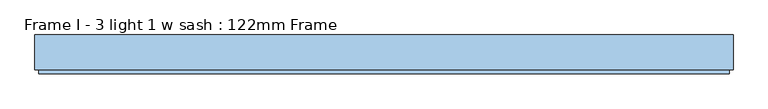
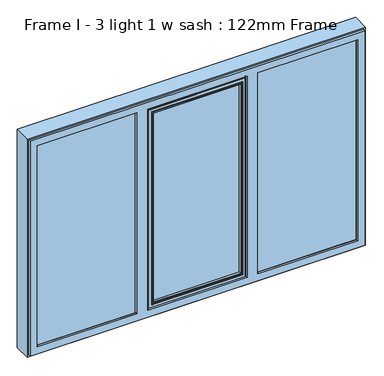
"""IFC4 building model written with IfcOpenShell, lengths in millimetres: window geometry, Frame I - 3 light 1 w sash : 122mm Frame."""

from ifc_helpers import new_model, si_unit, frame, origin, place, context, project, spatial, polyline, circle_curve, ellipse_curve, outline, extrude, source, transform, mapped, element, save
from ifc_brep_helpers import plane_surface, cylinder_surface, revolved_surface, advanced_brep


def frame_i_3_light_1_w_sash_122mm_frame_1649a123(model_context):
    return source(origin(), model_context, "Body", "SolidModel", [
        extrude(outline(polyline([(-292.5333333, -141.0), (-292.5333333, -93.0), (292.5333333, -93.0), (292.5333333, -141.0), (-292.5333333, -141.0)])), frame((0.0, 0.0, 890.0), z_axis=(0.0, 0.0, 1.0), x_axis=(1.0, 0.0, 0.0)), (0.0, 0.0, 1.0), 1319.6),
        advanced_brep(
        [(314.93318, -153.0, 2232.3998467), (314.93318, -153.0, 867.6001533), (314.93318, -148.4070391, 867.6001533), (314.93318, -148.4070391, 2232.3998467), (320.2072722, -139.5531262, 862.3260611), (320.2072722, -139.5531262, 2237.6739389), (-314.93318, -153.0, 867.6001533), (-314.93318, -148.4070391, 867.6001533), (-314.93318, -153.0, 2232.3998467), (295.4964409, -153.0, 2212.9631076), (295.4964409, -153.0, 887.0368924), (-295.4964409, -153.0, 887.0368924), (-295.4964409, -153.0, 2212.9631076), (322.0467289, -139.5531262, 860.4866045), (322.0467289, -139.5531262, 2239.5133955), (-322.0467289, -139.5531262, 2239.5133955), (-322.0467289, -139.5531262, 860.4866045), (-320.2072722, -139.5531262, 862.3260611), (-320.2072722, -139.5531262, 2237.6739389), (322.0467289, -121.0, 860.4866045), (322.0467289, -121.0, 2239.5133955), (332.0467289, -121.0, 850.4866045), (332.0467289, -121.0, 2249.5133955), (-332.0467289, -121.0, 2249.5133955), (-332.0467289, -121.0, 850.4866045), (-322.0467289, -121.0, 860.4866045), (-322.0467289, -121.0, 2239.5133955), (332.0467289, -88.5, 850.4866045), (332.0467289, -88.5, 2249.5133955), (342.8310333, -88.5, 839.7023), (342.8310333, -88.5, 2260.2977), (-342.8310333, -88.5, 2260.2977), (-342.8310333, -88.5, 839.7023), (-332.0467289, -88.5, 850.4866045), (-332.0467289, -88.5, 2249.5133955), (342.8310333, -83.5, 839.7023), (342.8310333, -83.5, 2260.2977), (-342.8310333, -83.5, 839.7023), (-342.8310333, -83.5, 2260.2977), (336.0333333, -83.5, 846.5), (336.0333333, -83.5, 2253.5), (-336.0333333, -83.5, 2253.5), (-336.0333333, -83.5, 846.5), (336.0333333, -78.0, 846.5), (336.0333333, -78.0, 2253.5), (-336.0333333, -78.0, 846.5), (-336.0333333, -78.0, 2253.5), (280.8491149, -78.0, 901.6842184), (280.8491149, -78.0, 2198.3157816), (-280.8491149, -78.0, 2198.3157816), (-280.8491149, -78.0, 901.6842184), (278.53364, -88.8934531, 903.9996933), (278.53364, -88.8934531, 2196.0003067), (278.53364, -93.0, 903.9996933), (278.53364, -93.0, 2196.0003067), (-278.53364, -88.8934531, 903.9996933), (292.5333333, -93.0, 890.0), (292.5333333, -93.0, 2210.0), (-292.5333333, -93.0, 2210.0), (-292.5333333, -93.0, 890.0), (-278.53364, -93.0, 903.9996933), (-278.53364, -93.0, 2196.0003067), (292.5333333, -141.0, 890.0), (292.5333333, -141.0, 2210.0), (-292.5333333, -141.0, 890.0), (-292.5333333, -141.0, 2210.0), (278.1211819, -141.0, 904.4121514), (278.1211819, -141.0, 2195.5878486), (-278.1211819, -141.0, 2195.5878486), (-278.1211819, -141.0, 904.4121514), (281.7899501, -153.0, 900.7433832), (281.7899501, -153.0, 2199.2566168), (288.5682377, -153.0, 893.9650956), (288.5682377, -153.0, 2206.0349044), (-288.5682377, -153.0, 2206.0349044), (-288.5682377, -153.0, 893.9650956), (-281.7899501, -153.0, 900.7433832), (-281.7899501, -153.0, 2199.2566168), (289.8672758, -152.25, 892.6660575), (289.8672758, -152.25, 2207.3339425), (294.1974028, -152.25, 888.3359305), (294.1974028, -152.25, 2211.6640695), (-289.8672758, -152.25, 892.6660575), (-294.1974028, -152.25, 888.3359305), (-314.93318, -148.4070391, 2232.3998467), (-278.53364, -88.8934531, 2196.0003067), (-289.8672758, -152.25, 2207.3339425), (-294.1974028, -152.25, 2211.6640695)],
        [
            (0, 1),
            (1, 2),
            (2, 3),
            (3, 0),
            (2, 4),
            (4, 5),
            (5, 3),
            (1, 6),
            (6, 7),
            (7, 2),
            (0, 8),
            (8, 6),
            (9, 10),
            (10, 11),
            (11, 12),
            (12, 9),
            (13, 14),
            (14, 15),
            (15, 16),
            (16, 13),
            (4, 17),
            (17, 18),
            (18, 5),
            (7, 17),
            (13, 19),
            (19, 20),
            (20, 14),
            (21, 22),
            (22, 23),
            (23, 24),
            (24, 21),
            (19, 25),
            (25, 26),
            (26, 20),
            (16, 25),
            (21, 27),
            (27, 28),
            (28, 22),
            (29, 30),
            (30, 31),
            (31, 32),
            (32, 29),
            (27, 33),
            (33, 34),
            (34, 28),
            (24, 33),
            (29, 35),
            (35, 36),
            (36, 30),
            (35, 37),
            (37, 38),
            (38, 36),
            (39, 40),
            (40, 41),
            (41, 42),
            (42, 39),
            (32, 37),
            (39, 43),
            (43, 44),
            (44, 40),
            (43, 45),
            (45, 46),
            (46, 44),
            (47, 48),
            (48, 49),
            (49, 50),
            (50, 47),
            (42, 45),
            (47, 51),
            (51, 52),
            (52, 48),
            (51, 53),
            (53, 54),
            (54, 52),
            (50, 55),
            (55, 51),
            (56, 57),
            (57, 58),
            (58, 59),
            (59, 56),
            (53, 60),
            (60, 61),
            (61, 54),
            (55, 60),
            (56, 62),
            (62, 63),
            (63, 57),
            (62, 64),
            (64, 65),
            (65, 63),
            (66, 67),
            (67, 68),
            (68, 69),
            (69, 66),
            (59, 64),
            (66, 70),
            (70, 71),
            (71, 67),
            (72, 73),
            (73, 74),
            (74, 75),
            (75, 72),
            (70, 76),
            (76, 77),
            (77, 71),
            (69, 76),
            (72, 78, ellipse_curve(frame((288.5682377, -151.5, 893.9650956), z_axis=(0.7071067811865475, 0.0, 0.7071067811865475), x_axis=(-0.7071067811865474, 0.0, 0.7071067811865476)), 2.1213203, 1.5)),
            (78, 79),
            (79, 73, ellipse_curve(frame((288.5682377, -151.5, 2206.0349044), z_axis=(0.7071067811865475, 0.0, -0.7071067811865475), x_axis=(0.7071067811865474, 0.0, 0.7071067811865476)), 2.1213203, 1.5)),
            (78, 80, ellipse_curve(frame((292.0323393, -153.5, 890.500994), z_axis=(-0.7071067811865475, 0.0, -0.7071067811865475), x_axis=(0.7071067811865474, 0.0, -0.7071067811865476)), 3.5355339, 2.5)),
            (80, 81),
            (81, 79, ellipse_curve(frame((292.0323393, -153.5, 2209.499006), z_axis=(-0.7071067811865475, 0.0, 0.7071067811865475), x_axis=(-0.7071067811865474, 0.0, -0.7071067811865476)), 3.5355339, 2.5)),
            (75, 82, ellipse_curve(frame((-288.5682377, -151.5, 893.9650956), z_axis=(0.7071067811865475, 0.0, -0.7071067811865475), x_axis=(0.7071067811865476, 0.0, 0.7071067811865474)), 2.1213203, 1.5)),
            (82, 78),
            (80, 10, ellipse_curve(frame((295.4964409, -151.5, 887.0368924), z_axis=(0.7071067811865475, 0.0, 0.7071067811865475), x_axis=(-0.7071067811865474, 0.0, 0.7071067811865476)), 2.1213203, 1.5)),
            (9, 81, ellipse_curve(frame((295.4964409, -151.5, 2212.9631076), z_axis=(0.7071067811865475, 0.0, -0.7071067811865475), x_axis=(0.7071067811865474, 0.0, 0.7071067811865476)), 2.1213203, 1.5)),
            (82, 83, ellipse_curve(frame((-292.0323393, -153.5, 890.500994), z_axis=(-0.7071067811865475, 0.0, 0.7071067811865475), x_axis=(-0.7071067811865476, 0.0, -0.7071067811865474)), 3.5355339, 2.5)),
            (83, 80),
            (83, 11, ellipse_curve(frame((-295.4964409, -151.5, 887.0368924), z_axis=(0.7071067811865475, 0.0, -0.7071067811865475), x_axis=(0.7071067811865476, 0.0, 0.7071067811865474)), 2.1213203, 1.5)),
            (8, 84),
            (84, 7),
            (84, 18),
            (15, 26),
            (23, 34),
            (31, 38),
            (41, 46),
            (49, 85),
            (85, 55),
            (85, 61),
            (58, 65),
            (68, 77),
            (74, 86, ellipse_curve(frame((-288.5682377, -151.5, 2206.0349044), z_axis=(-0.7071067811865475, 0.0, -0.7071067811865475), x_axis=(0.7071067811865474, 0.0, -0.7071067811865476)), 2.1213203, 1.5)),
            (86, 82),
            (86, 87, ellipse_curve(frame((-292.0323393, -153.5, 2209.499006), z_axis=(0.7071067811865475, 0.0, 0.7071067811865475), x_axis=(-0.7071067811865474, 0.0, 0.7071067811865476)), 3.5355339, 2.5)),
            (87, 83),
            (87, 12, ellipse_curve(frame((-295.4964409, -151.5, 2212.9631076), z_axis=(-0.7071067811865475, 0.0, -0.7071067811865475), x_axis=(0.7071067811865474, 0.0, -0.7071067811865476)), 2.1213203, 1.5)),
            (3, 84),
            (52, 85),
            (79, 86),
            (81, 87),
        ],
        [
            plane_surface(frame((314.93318, -148.4070391, 2232.3998467), z_axis=(1.0, 0.0, 0.0), x_axis=(0.0, 0.0, -1.0))),
            plane_surface(frame((320.2072722, -139.5531262, 2237.6739389), z_axis=(0.8591262587254928, -0.5117636872310675, 0.0), x_axis=(0.0, 0.0, -1.0))),
            plane_surface(frame((314.93318, -148.4070391, 867.6001533), z_axis=(0.0, 0.0, -1.0), x_axis=(-1.0, 0.0, 0.0))),
            plane_surface(frame((-314.93318, -153.0, 2232.3998467), z_axis=(0.0, -1.0, 0.0), x_axis=(1.0, 0.0, 0.0))),
            plane_surface(frame((-322.0467289, -139.5531262, 2239.5133955), z_axis=(0.0, -1.0, 0.0), x_axis=(1.0, 0.0, 0.0))),
            plane_surface(frame((320.2072722, -139.5531262, 862.3260611), z_axis=(0.0, -0.5117636872310675, -0.8591262587254928), x_axis=(-1.0, 0.0, 0.0))),
            plane_surface(frame((322.0467289, -121.0, 2239.5133955), z_axis=(1.0, 0.0, 0.0), x_axis=(0.0, 0.0, -1.0))),
            plane_surface(frame((-332.0467289, -121.0, 2249.5133955), z_axis=(0.0, -1.0, 0.0), x_axis=(1.0, 0.0, 0.0))),
            plane_surface(frame((322.0467289, -121.0, 860.4866045), z_axis=(0.0, 0.0, -1.0), x_axis=(-1.0, 0.0, 0.0))),
            plane_surface(frame((332.0467289, -88.5, 2249.5133955), z_axis=(1.0, 0.0, 0.0), x_axis=(0.0, 0.0, -1.0))),
            plane_surface(frame((-342.8310333, -88.5, 2260.2977), z_axis=(0.0, -1.0, 0.0), x_axis=(1.0, 0.0, 0.0))),
            plane_surface(frame((332.0467289, -88.5, 850.4866045), z_axis=(0.0, 0.0, -1.0), x_axis=(-1.0, 0.0, 0.0))),
            plane_surface(frame((342.8310333, -83.5, 2260.2977), z_axis=(1.0, 0.0, 0.0), x_axis=(0.0, 0.0, -1.0))),
            plane_surface(frame((-336.0333333, -83.5, 2253.5), z_axis=(0.0, 1.0, 0.0), x_axis=(1.0, 0.0, 0.0))),
            plane_surface(frame((342.8310333, -83.5, 839.7023), z_axis=(0.0, 0.0, -1.0), x_axis=(-1.0, 0.0, 0.0))),
            plane_surface(frame((336.0333333, -78.0, 2253.5), z_axis=(1.0, 0.0, 0.0), x_axis=(0.0, 0.0, -1.0))),
            plane_surface(frame((-280.8491149, -78.0, 2198.3157816), z_axis=(0.0, 1.0, 0.0), x_axis=(1.0, 0.0, 0.0))),
            plane_surface(frame((336.0333333, -78.0, 846.5), z_axis=(0.0, 0.0, -1.0), x_axis=(-1.0, 0.0, 0.0))),
            plane_surface(frame((278.53364, -88.8934531, 2196.0003067), z_axis=(-0.9781476007338059, 0.20791169081775832, 0.0), x_axis=(0.0, 0.0, -1.0))),
            plane_surface(frame((278.53364, -93.0, 2196.0003067), z_axis=(-1.0, 0.0, 0.0), x_axis=(0.0, 0.0, -1.0))),
            plane_surface(frame((278.53364, -88.8934531, 903.9996933), z_axis=(0.0, 0.20791169081775832, 0.9781476007338059), x_axis=(-1.0, 0.0, 0.0))),
            plane_surface(frame((-292.5333333, -93.0, 2210.0), z_axis=(0.0, -1.0, 0.0), x_axis=(1.0, 0.0, 0.0))),
            plane_surface(frame((278.53364, -93.0, 903.9996933), z_axis=(0.0, 0.0, 1.0), x_axis=(-1.0, 0.0, 0.0))),
            plane_surface(frame((292.5333333, -141.0, 2210.0), z_axis=(-1.0, 0.0, 0.0), x_axis=(0.0, 0.0, -1.0))),
            plane_surface(frame((-278.1211819, -141.0, 2195.5878486), z_axis=(0.0, 1.0, 0.0), x_axis=(1.0, 0.0, 0.0))),
            plane_surface(frame((292.5333333, -141.0, 890.0), z_axis=(0.0, 0.0, 1.0), x_axis=(-1.0, 0.0, 0.0))),
            plane_surface(frame((281.7899501, -153.0, 2199.2566168), z_axis=(-0.9563047559629767, -0.29237170472292917, 0.0), x_axis=(0.0, 0.0, -1.0))),
            plane_surface(frame((-288.5682377, -153.0, 2206.0349044), z_axis=(0.0, -1.0, 0.0), x_axis=(1.0, 0.0, 0.0))),
            plane_surface(frame((281.7899501, -153.0, 900.7433832), z_axis=(0.0, -0.29237170472292917, 0.9563047559629767), x_axis=(-1.0, 0.0, 0.0))),
            cylinder_surface(frame((288.5682377, -151.5, 2237.6), z_axis=(0.0, 0.0, 1.0), x_axis=(0.0, -1.0, 0.0)), 1.5),
            revolved_surface(polyline([(292.0323393, -156.0, 888.000994004195), (292.0323393, -156.0, 2211.999005995805)]), (292.0323393, -153.5, 2237.6), (0.0, 0.0, -1.0)),
            cylinder_surface(frame((320.1333333, -151.5, 893.9650956), z_axis=(1.0, 0.0, 0.0), x_axis=(0.0, -1.0, 0.0)), 1.5),
            cylinder_surface(frame((295.4964409, -151.5, 2237.6), z_axis=(0.0, 0.0, 1.0), x_axis=(0.0, -1.0, 0.0)), 1.5),
            revolved_surface(polyline([(-294.53233929580495, -156.0, 890.500994), (294.5323392958049, -156.0, 890.500994)]), (320.1333333, -153.5, 890.500994), (-1.0, 0.0, 0.0)),
            cylinder_surface(frame((320.1333333, -151.5, 887.0368924), z_axis=(1.0, 0.0, 0.0), x_axis=(0.0, -1.0, 0.0)), 1.5),
            plane_surface(frame((-314.93318, -148.4070391, 867.6001533), z_axis=(-1.0, 0.0, 0.0), x_axis=(0.0, 0.0, 1.0))),
            plane_surface(frame((-320.2072722, -139.5531262, 862.3260611), z_axis=(-0.8591262587254928, -0.5117636872310675, 0.0), x_axis=(0.0, 0.0, 1.0))),
            plane_surface(frame((-322.0467289, -121.0, 860.4866045), z_axis=(-1.0, 0.0, 0.0), x_axis=(0.0, 0.0, 1.0))),
            plane_surface(frame((-332.0467289, -88.5, 850.4866045), z_axis=(-1.0, 0.0, 0.0), x_axis=(0.0, 0.0, 1.0))),
            plane_surface(frame((-342.8310333, -83.5, 839.7023), z_axis=(-1.0, 0.0, 0.0), x_axis=(0.0, 0.0, 1.0))),
            plane_surface(frame((-336.0333333, -78.0, 846.5), z_axis=(-1.0, 0.0, 0.0), x_axis=(0.0, 0.0, 1.0))),
            plane_surface(frame((-278.53364, -88.8934531, 903.9996933), z_axis=(0.9781476007338059, 0.20791169081775832, 0.0), x_axis=(0.0, 0.0, 1.0))),
            plane_surface(frame((-278.53364, -93.0, 903.9996933), z_axis=(1.0, 0.0, 0.0), x_axis=(0.0, 0.0, 1.0))),
            plane_surface(frame((-292.5333333, -141.0, 890.0), z_axis=(1.0, 0.0, 0.0), x_axis=(0.0, 0.0, 1.0))),
            plane_surface(frame((-281.7899501, -153.0, 900.7433832), z_axis=(0.9563047559629767, -0.29237170472292917, 0.0), x_axis=(0.0, 0.0, 1.0))),
            cylinder_surface(frame((-288.5682377, -151.5, 862.4), z_axis=(0.0, 0.0, -1.0), x_axis=(0.0, -1.0, 0.0)), 1.5),
            revolved_surface(polyline([(-292.0323393, -156.0, 2211.999005995805), (-292.0323393, -156.0, 888.000994004195)]), (-292.0323393, -153.5, 862.4), (0.0, 0.0, 1.0)),
            cylinder_surface(frame((-295.4964409, -151.5, 862.4), z_axis=(0.0, 0.0, -1.0), x_axis=(0.0, -1.0, 0.0)), 1.5),
            plane_surface(frame((-314.93318, -148.4070391, 2232.3998467), z_axis=(0.0, 0.0, 1.0), x_axis=(1.0, 0.0, 0.0))),
            plane_surface(frame((-320.2072722, -139.5531262, 2237.6739389), z_axis=(0.0, -0.5117636872310675, 0.8591262587254928), x_axis=(1.0, 0.0, 0.0))),
            plane_surface(frame((-322.0467289, -121.0, 2239.5133955), z_axis=(0.0, 0.0, 1.0), x_axis=(1.0, 0.0, 0.0))),
            plane_surface(frame((-332.0467289, -88.5, 2249.5133955), z_axis=(0.0, 0.0, 1.0), x_axis=(1.0, 0.0, 0.0))),
            plane_surface(frame((-342.8310333, -83.5, 2260.2977), z_axis=(0.0, 0.0, 1.0), x_axis=(1.0, 0.0, 0.0))),
            plane_surface(frame((-336.0333333, -78.0, 2253.5), z_axis=(0.0, 0.0, 1.0), x_axis=(1.0, 0.0, 0.0))),
            plane_surface(frame((-278.53364, -88.8934531, 2196.0003067), z_axis=(0.0, 0.20791169081775832, -0.9781476007338059), x_axis=(1.0, 0.0, 0.0))),
            plane_surface(frame((-278.53364, -93.0, 2196.0003067), z_axis=(0.0, 0.0, -1.0), x_axis=(1.0, 0.0, 0.0))),
            plane_surface(frame((-292.5333333, -141.0, 2210.0), z_axis=(0.0, 0.0, -1.0), x_axis=(1.0, 0.0, 0.0))),
            plane_surface(frame((-281.7899501, -153.0, 2199.2566168), z_axis=(0.0, -0.29237170472292917, -0.9563047559629767), x_axis=(1.0, 0.0, 0.0))),
            cylinder_surface(frame((-320.1333333, -151.5, 2206.0349044), z_axis=(-1.0, 0.0, 0.0), x_axis=(0.0, -1.0, 0.0)), 1.5),
            revolved_surface(polyline([(294.53233929580495, -156.0, 2209.499006), (-294.5323392958049, -156.0, 2209.499006)]), (-320.1333333, -153.5, 2209.499006), (1.0, 0.0, 0.0)),
            cylinder_surface(frame((-320.1333333, -151.5, 2212.9631076), z_axis=(-1.0, 0.0, 0.0), x_axis=(0.0, -1.0, 0.0)), 1.5),
        ],
        [
            (0, [[1, 2, 3, 4]]),
            (1, [[-3, 5, 6, 7]]),
            (2, [[8, 9, 10, -2]]),
            (3, [[-1, 11, 12, -8], [13, 14, 15, 16]]),
            (4, [[17, 18, 19, 20], [-6, 21, 22, 23]]),
            (5, [[-10, 24, -21, -5]]),
            (6, [[-17, 25, 26, 27]]),
            (7, [[28, 29, 30, 31], [-26, 32, 33, 34]]),
            (8, [[-20, 35, -32, -25]]),
            (9, [[-28, 36, 37, 38]]),
            (10, [[39, 40, 41, 42], [-37, 43, 44, 45]]),
            (11, [[-31, 46, -43, -36]]),
            (12, [[-39, 47, 48, 49]]),
            (13, [[-48, 50, 51, 52], [53, 54, 55, 56]]),
            (14, [[-42, 57, -50, -47]]),
            (15, [[-53, 58, 59, 60]]),
            (16, [[-59, 61, 62, 63], [64, 65, 66, 67]]),
            (17, [[-56, 68, -61, -58]]),
            (18, [[-64, 69, 70, 71]]),
            (19, [[-70, 72, 73, 74]]),
            (20, [[-67, 75, 76, -69]]),
            (21, [[77, 78, 79, 80], [-73, 81, 82, 83]]),
            (22, [[-76, 84, -81, -72]]),
            (23, [[-77, 85, 86, 87]]),
            (24, [[-86, 88, 89, 90], [91, 92, 93, 94]]),
            (25, [[-80, 95, -88, -85]]),
            (26, [[-91, 96, 97, 98]]),
            (27, [[99, 100, 101, 102], [-97, 103, 104, 105]]),
            (28, [[-94, 106, -103, -96]]),
            (29, [[-99, 107, 108, 109]]),
            (30, [[-108, 110, 111, 112]]),
            (31, [[-102, 113, 114, -107]]),
            (32, [[-111, 115, -13, 116]]),
            (33, [[-114, 117, 118, -110]]),
            (34, [[-118, 119, -14, -115]]),
            (35, [[-12, 120, 121, -9]]),
            (36, [[-121, 122, -22, -24]]),
            (37, [[-19, 123, -33, -35]]),
            (38, [[-30, 124, -44, -46]]),
            (39, [[-41, 125, -51, -57]]),
            (40, [[-55, 126, -62, -68]]),
            (41, [[-66, 127, 128, -75]]),
            (42, [[-128, 129, -82, -84]]),
            (43, [[-79, 130, -89, -95]]),
            (44, [[-93, 131, -104, -106]]),
            (45, [[-101, 132, 133, -113]]),
            (46, [[-133, 134, 135, -117]]),
            (47, [[-135, 136, -15, -119]]),
            (48, [[-11, -4, 137, -120]]),
            (49, [[-137, -7, -23, -122]]),
            (50, [[-18, -27, -34, -123]]),
            (51, [[-29, -38, -45, -124]]),
            (52, [[-40, -49, -52, -125]]),
            (53, [[-54, -60, -63, -126]]),
            (54, [[-65, -71, 138, -127]]),
            (55, [[-138, -74, -83, -129]]),
            (56, [[-78, -87, -90, -130]]),
            (57, [[-92, -98, -105, -131]]),
            (58, [[-100, -109, 139, -132]]),
            (59, [[-139, -112, 140, -134]]),
            (60, [[-140, -116, -16, -136]]),
        ],
    ),
        extrude(outline(polyline([(382.7333333, -141.0), (382.7333333, -93.0), (1052.6, -93.0), (1052.6, -141.0), (382.7333333, -141.0)])), frame((0.0, 0.0, 847.4), z_axis=(0.0, 0.0, 1.0), x_axis=(1.0, 0.0, 0.0)), (0.0, 0.0, 1.0), 1405.2),
        advanced_brep(
        [(1040.9078547, -66.2562613, 2240.9078547), (1040.9078547, -66.2562613, 859.0921453), (1037.8697056, -91.0, 862.1302944), (1037.8697056, -91.0, 2237.8697056), (1061.5, -91.0, 838.5), (1061.5, -91.0, 2261.5), (373.0333333, -91.0, 2261.5), (373.0333333, -91.0, 838.5), (396.6636277, -91.0, 862.1302944), (396.6636277, -91.0, 2237.8697056), (393.6254786, -66.2562613, 859.0921453), (1042.892947, -64.5, 2242.892947), (1042.892947, -64.5, 857.107053), (1061.5, -82.0, 838.5), (1061.5, -82.0, 2261.5), (1064.0, -82.0, 836.0), (1064.0, -82.0, 2264.0), (370.5333333, -82.0, 2264.0), (370.5333333, -82.0, 836.0), (373.0333333, -82.0, 838.5), (373.0333333, -82.0, 2261.5), (1064.0, -64.5, 836.0), (1064.0, -64.5, 2264.0), (370.5333333, -64.5, 836.0), (370.5333333, -64.5, 2264.0), (391.6403863, -64.5, 2242.892947), (391.6403863, -64.5, 857.107053), (393.6254786, -66.2562613, 2240.9078547)],
        [
            (0, 1),
            (1, 2),
            (2, 3),
            (3, 0),
            (4, 5),
            (5, 6),
            (6, 7),
            (7, 4),
            (2, 8),
            (8, 9),
            (9, 3),
            (1, 10),
            (10, 8),
            (11, 12),
            (12, 1, ellipse_curve(frame((1042.892947, -66.5, 857.107053), z_axis=(0.7071067811865476, 0.0, 0.7071067811865475), x_axis=(-0.7071067811865475, 0.0, 0.7071067811865476)), 2.8284271, 2.0)),
            (0, 11, ellipse_curve(frame((1042.892947, -66.5, 2242.892947), z_axis=(0.7071067811865475, 0.0, -0.7071067811865476), x_axis=(0.7071067811865476, 0.0, 0.7071067811865475)), 2.8284271, 2.0)),
            (4, 13),
            (13, 14),
            (14, 5),
            (15, 16),
            (16, 17),
            (17, 18),
            (18, 15),
            (13, 19),
            (19, 20),
            (20, 14),
            (7, 19),
            (15, 21),
            (21, 22),
            (22, 16),
            (21, 23),
            (23, 24),
            (24, 22),
            (11, 25),
            (25, 26),
            (26, 12),
            (18, 23),
            (26, 10, ellipse_curve(frame((391.6403863, -66.5, 857.107053), z_axis=(0.7071067811865475, 0.0, -0.7071067811865476), x_axis=(0.7071067811865476, 0.0, 0.7071067811865475)), 2.8284271, 2.0)),
            (10, 27),
            (27, 9),
            (6, 20),
            (17, 24),
            (25, 27, ellipse_curve(frame((391.6403863, -66.5, 2242.892947), z_axis=(-0.7071067811865476, 0.0, -0.7071067811865475), x_axis=(0.7071067811865476, 0.0, -0.7071067811865476)), 2.8284271, 2.0)),
            (27, 0),
        ],
        [
            plane_surface(frame((1037.8697056, -91.0, 2237.8697056), z_axis=(-0.9925461516413222, 0.12186934340514619, 0.0), x_axis=(0.0, 0.0, -1.0))),
            plane_surface(frame((373.0333333, -91.0, 2261.5), z_axis=(0.0, -1.0, 0.0), x_axis=(1.0, 0.0, 0.0))),
            plane_surface(frame((1037.8697056, -91.0, 862.1302944), z_axis=(0.0, 0.12186934340514619, 0.9925461516413222), x_axis=(-1.0, 0.0, 0.0))),
            cylinder_surface(frame((1042.892947, -66.5, 2237.6), z_axis=(0.0, 0.0, 1.0), x_axis=(0.0, -1.0, 0.0)), 2.0),
            plane_surface(frame((1061.5, -82.0, 2261.5), z_axis=(1.0, 0.0, 0.0), x_axis=(0.0, 0.0, -1.0))),
            plane_surface(frame((370.5333333, -82.0, 2264.0), z_axis=(0.0, -1.0, 0.0), x_axis=(1.0, 0.0, 0.0))),
            plane_surface(frame((1061.5, -82.0, 838.5), z_axis=(0.0, 0.0, -1.0), x_axis=(-1.0, 0.0, 0.0))),
            plane_surface(frame((1064.0, -64.5, 2264.0), z_axis=(1.0, 0.0, 0.0), x_axis=(0.0, 0.0, -1.0))),
            plane_surface(frame((391.6403863, -64.5, 2242.892947), z_axis=(0.0, 1.0, 0.0), x_axis=(1.0, 0.0, 0.0))),
            plane_surface(frame((1064.0, -64.5, 836.0), z_axis=(0.0, 0.0, -1.0), x_axis=(-1.0, 0.0, 0.0))),
            cylinder_surface(frame((1037.6, -66.5, 857.107053), z_axis=(1.0, 0.0, 0.0), x_axis=(0.0, -1.0, 0.0)), 2.0),
            plane_surface(frame((396.6636277, -91.0, 862.1302944), z_axis=(0.9925461516413222, 0.12186934340514619, 0.0), x_axis=(0.0, 0.0, 1.0))),
            plane_surface(frame((373.0333333, -82.0, 838.5), z_axis=(-1.0, 0.0, 0.0), x_axis=(0.0, 0.0, 1.0))),
            plane_surface(frame((370.5333333, -64.5, 836.0), z_axis=(-1.0, 0.0, 0.0), x_axis=(0.0, 0.0, 1.0))),
            cylinder_surface(frame((391.6403863, -66.5, 862.4), z_axis=(0.0, 0.0, -1.0), x_axis=(0.0, -1.0, 0.0)), 2.0),
            plane_surface(frame((396.6636277, -91.0, 2237.8697056), z_axis=(0.0, 0.12186934340514619, -0.9925461516413222), x_axis=(1.0, 0.0, 0.0))),
            plane_surface(frame((373.0333333, -82.0, 2261.5), z_axis=(0.0, 0.0, 1.0), x_axis=(1.0, 0.0, 0.0))),
            plane_surface(frame((370.5333333, -64.5, 2264.0), z_axis=(0.0, 0.0, 1.0), x_axis=(1.0, 0.0, 0.0))),
            cylinder_surface(frame((396.9333333, -66.5, 2242.892947), z_axis=(-1.0, 0.0, 0.0), x_axis=(0.0, -1.0, 0.0)), 2.0),
        ],
        [
            (0, [[1, 2, 3, 4]]),
            (1, [[5, 6, 7, 8], [-3, 9, 10, 11]]),
            (2, [[12, 13, -9, -2]]),
            (3, [[14, 15, -1, 16]]),
            (4, [[-5, 17, 18, 19]]),
            (5, [[20, 21, 22, 23], [-18, 24, 25, 26]]),
            (6, [[-8, 27, -24, -17]]),
            (7, [[-20, 28, 29, 30]]),
            (8, [[-29, 31, 32, 33], [-14, 34, 35, 36]]),
            (9, [[-23, 37, -31, -28]]),
            (10, [[-36, 38, -12, -15]]),
            (11, [[39, 40, -10, -13]]),
            (12, [[-7, 41, -25, -27]]),
            (13, [[-22, 42, -32, -37]]),
            (14, [[-35, 43, -39, -38]]),
            (15, [[44, -4, -11, -40]]),
            (16, [[-6, -19, -26, -41]]),
            (17, [[-21, -30, -33, -42]]),
            (18, [[-34, -16, -44, -43]]),
        ],
    ),
        advanced_brep(
        [(-1064.0, -83.0, 2264.0), (-1064.0, -83.0, 836.0), (-1064.0, -35.0, 836.0), (-1064.0, -35.0, 2264.0), (-1067.0, -32.0, 833.0), (-1067.0, -32.0, 2267.0), (-370.5333333, -83.0, 836.0), (-370.5333333, -35.0, 836.0), (1064.0, -35.0, 836.0), (370.5333333, -35.0, 836.0), (370.5333333, -83.0, 836.0), (1064.0, -83.0, 836.0), (-346.5333333, -83.0, 836.0), (346.5333333, -83.0, 836.0), (346.5333333, -35.0, 836.0), (-346.5333333, -35.0, 836.0), (370.5333333, -83.0, 838.0), (1062.0, -83.0, 838.0), (1062.0, -83.0, 2262.0), (370.5333333, -83.0, 2262.0), (370.5333333, -83.0, 2264.0), (1064.0, -83.0, 2264.0), (-346.5333333, -83.0, 838.0), (346.5333333, -83.0, 838.0), (-370.5333333, -83.0, 2264.0), (-370.5333333, -83.0, 2262.0), (-1062.0, -83.0, 2262.0), (-1062.0, -83.0, 838.0), (-370.5333333, -83.0, 838.0), (-346.5333333, -83.0, 2264.0), (346.5333333, -83.0, 2264.0), (346.5333333, -83.0, 2262.0), (-346.5333333, -83.0, 2262.0), (-1062.0, -91.0, 2262.0), (-1062.0, -91.0, 838.0), (370.5333333, -91.0, 838.0), (1062.0, -91.0, 838.0), (-370.5333333, -91.0, 838.0), (346.5333333, -91.0, 838.0), (-346.5333333, -91.0, 838.0), (370.5333333, -91.0, 2262.0), (1062.0, -91.0, 2262.0), (1055.7805994, -91.0, 844.2194006), (1055.7805994, -91.0, 2255.7805994), (378.7333333, -91.0, 2255.7805994), (378.7333333, -91.0, 844.2194006), (-370.5333333, -91.0, 2262.0), (-1055.7805994, -91.0, 844.2194006), (-378.7333333, -91.0, 844.2194006), (-378.7333333, -91.0, 2255.7805994), (-1055.7805994, -91.0, 2255.7805994), (-346.5333333, -91.0, 2262.0), (346.5333333, -91.0, 2262.0), (-338.3333333, -91.0, 844.2194006), (338.3333333, -91.0, 844.2194006), (338.3333333, -91.0, 2255.7805994), (-338.3333333, -91.0, 2255.7805994), (-1038.0131086, -143.3877115, 2238.0131086), (-1038.0131086, -143.3877115, 861.9868914), (-1038.0131086, -142.0, 861.9868914), (-1038.0131086, -142.0, 2238.0131086), (1062.2226568, -142.0, 837.7773432), (372.4713207, -142.0, 837.7773432), (372.4713207, -142.0, 2262.2226568), (1062.2226568, -142.0, 2262.2226568), (1038.0131086, -142.0, 2238.0131086), (396.9444907, -142.0, 2238.0131086), (396.9444907, -142.0, 861.9868914), (1038.0131086, -142.0, 861.9868914), (-1062.2226568, -142.0, 2262.2226568), (-372.4713207, -142.0, 2262.2226568), (-372.4713207, -142.0, 837.7773432), (-1062.2226568, -142.0, 837.7773432), (-396.9444907, -142.0, 861.9868914), (-396.9444907, -142.0, 2238.0131086), (-344.5953459, -142.0, 2262.2226568), (344.5953459, -142.0, 2262.2226568), (344.5953459, -142.0, 837.7773432), (-344.5953459, -142.0, 837.7773432), (-320.1221759, -142.0, 861.9868914), (320.1221759, -142.0, 861.9868914), (320.1221759, -142.0, 2238.0131086), (-320.1221759, -142.0, 2238.0131086), (396.5202248, -143.3877115, 861.9868914), (1038.0131086, -143.3877115, 861.9868914), (-396.5202248, -143.3877115, 861.9868914), (-320.5464419, -143.3877115, 861.9868914), (320.5464419, -143.3877115, 861.9868914), (-1041.2576108, -154.0, 2241.2576108), (-1041.2576108, -154.0, 858.7423892), (393.2757226, -154.0, 858.7423892), (1041.2576108, -154.0, 858.7423892), (-393.2757226, -154.0, 858.7423892), (-323.7909441, -154.0, 858.7423892), (323.7909441, -154.0, 858.7423892), (1088.0, -154.0, 812.0), (1088.0, -154.0, 2288.0), (-1088.0, -154.0, 2288.0), (-1088.0, -154.0, 812.0), (393.2757226, -154.0, 2241.2576108), (1041.2576108, -154.0, 2241.2576108), (-323.7909441, -154.0, 2241.2576108), (323.7909441, -154.0, 2241.2576108), (-393.2757226, -154.0, 2241.2576108), (-1088.0, -90.5, 2288.0), (-1088.0, -90.5, 812.0), (-370.5333333, -90.5, 812.0), (-370.5333333, -86.5, 812.0), (-1088.0, -86.5, 812.0), (-1088.0, -32.0, 812.0), (1088.0, -32.0, 812.0), (1088.0, -86.5, 812.0), (370.5333333, -86.5, 812.0), (370.5333333, -90.5, 812.0), (1088.0, -90.5, 812.0), (-346.5333333, -86.5, 812.0), (-346.5333333, -90.5, 812.0), (346.5333333, -90.5, 812.0), (346.5333333, -86.5, 812.0), (370.5333333, -90.5, 819.0), (1081.0, -90.5, 819.0), (1081.0, -90.5, 2281.0), (370.5333333, -90.5, 2281.0), (370.5333333, -90.5, 2288.0), (1088.0, -90.5, 2288.0), (-346.5333333, -90.5, 819.0), (346.5333333, -90.5, 819.0), (-346.5333333, -90.5, 2288.0), (346.5333333, -90.5, 2288.0), (346.5333333, -90.5, 2281.0), (-346.5333333, -90.5, 2281.0), (-370.5333333, -90.5, 2288.0), (-370.5333333, -90.5, 2281.0), (-1081.0, -90.5, 2281.0), (-1081.0, -90.5, 819.0), (-370.5333333, -90.5, 819.0), (-370.5333333, -32.0, 833.0), (346.5333333, -32.0, 833.0), (-346.5333333, -32.0, 833.0), (1067.0, -32.0, 833.0), (370.5333333, -32.0, 833.0), (-370.5333333, -86.5, 819.0), (-370.5333333, -35.0, 2264.0), (-370.5333333, -32.0, 2267.0), (-370.5333333, -86.5, 2288.0), (-370.5333333, -86.5, 2281.0), (1064.0, -35.0, 2264.0), (370.5333333, -86.5, 819.0), (370.5333333, -32.0, 2267.0), (370.5333333, -35.0, 2264.0), (370.5333333, -86.5, 2281.0), (370.5333333, -86.5, 2288.0), (-346.5333333, -86.5, 819.0), (-346.5333333, -32.0, 2267.0), (-346.5333333, -35.0, 2264.0), (-346.5333333, -86.5, 2281.0), (-346.5333333, -86.5, 2288.0), (346.5333333, -86.5, 819.0), (346.5333333, -35.0, 2264.0), (346.5333333, -32.0, 2267.0), (346.5333333, -86.5, 2288.0), (346.5333333, -86.5, 2281.0), (-396.5202248, -143.3877115, 2238.0131086), (1038.0131086, -143.3877115, 2238.0131086), (396.5202248, -143.3877115, 2238.0131086), (-320.5464419, -143.3877115, 2238.0131086), (320.5464419, -143.3877115, 2238.0131086), (1081.0, -86.5, 819.0), (1088.0, -86.5, 2288.0), (1081.0, -86.5, 2281.0), (-1081.0, -86.5, 2281.0), (-1088.0, -86.5, 2288.0), (-1081.0, -86.5, 819.0), (1088.0, -32.0, 2288.0), (-1088.0, -32.0, 2288.0), (1067.0, -32.0, 2267.0)],
        [
            (0, 1),
            (1, 2),
            (2, 3),
            (3, 0),
            (2, 4, ellipse_curve(frame((-1067.0, -35.0, 833.0), z_axis=(-0.7071067811865475, 0.0, 0.7071067811865475), x_axis=(0.7071067811865474, 0.0, 0.7071067811865476)), 4.2426407, 3.0)),
            (4, 5),
            (5, 3, ellipse_curve(frame((-1067.0, -35.0, 2267.0), z_axis=(-0.7071067811865475, 0.0, -0.7071067811865475), x_axis=(-0.7071067811865474, 0.0, 0.7071067811865476)), 4.2426407, 3.0)),
            (1, 6),
            (6, 7),
            (7, 2),
            (8, 9),
            (9, 10),
            (10, 11),
            (11, 8),
            (12, 13),
            (13, 14),
            (14, 15),
            (15, 12),
            (10, 16),
            (16, 17),
            (17, 18),
            (18, 19),
            (19, 20),
            (20, 21),
            (21, 11),
            (22, 23),
            (23, 13),
            (12, 22),
            (0, 24),
            (24, 25),
            (25, 26),
            (26, 27),
            (27, 28),
            (28, 6),
            (29, 30),
            (30, 31),
            (31, 32),
            (32, 29),
            (33, 34),
            (34, 27),
            (26, 33),
            (16, 35),
            (35, 36),
            (36, 17),
            (34, 37),
            (37, 28),
            (38, 23),
            (22, 39),
            (39, 38),
            (35, 40),
            (40, 41),
            (41, 36),
            (42, 43),
            (43, 44),
            (44, 45),
            (45, 42),
            (33, 46),
            (46, 37),
            (47, 48),
            (48, 49),
            (49, 50),
            (50, 47),
            (51, 52),
            (52, 38),
            (39, 51),
            (53, 54),
            (54, 55),
            (55, 56),
            (56, 53),
            (57, 58),
            (58, 59),
            (59, 60),
            (60, 57),
            (61, 62),
            (62, 63),
            (63, 64),
            (64, 61),
            (65, 66),
            (66, 67),
            (67, 68),
            (68, 65),
            (69, 70),
            (70, 71),
            (71, 72),
            (72, 69),
            (59, 73),
            (73, 74),
            (74, 60),
            (75, 76),
            (76, 77),
            (77, 78),
            (78, 75),
            (79, 80),
            (80, 81),
            (81, 82),
            (82, 79),
            (67, 83),
            (83, 84),
            (84, 68),
            (58, 85),
            (85, 73),
            (86, 87),
            (87, 80),
            (79, 86),
            (57, 88),
            (88, 89),
            (89, 58),
            (83, 90),
            (90, 91),
            (91, 84),
            (89, 92),
            (92, 85),
            (93, 94),
            (94, 87),
            (86, 93),
            (95, 96),
            (96, 97),
            (97, 98),
            (98, 95),
            (90, 99),
            (99, 100),
            (100, 91),
            (93, 101),
            (101, 102),
            (102, 94),
            (88, 103),
            (103, 92),
            (104, 105),
            (105, 98),
            (97, 104),
            (105, 106),
            (106, 107),
            (107, 108),
            (108, 109),
            (109, 110),
            (110, 111),
            (111, 112),
            (112, 113),
            (113, 114),
            (114, 95),
            (115, 116),
            (116, 117),
            (117, 118),
            (118, 115),
            (113, 119),
            (119, 120),
            (120, 121),
            (121, 122),
            (122, 123),
            (123, 124),
            (124, 114),
            (125, 126),
            (126, 117),
            (116, 125),
            (127, 128),
            (128, 129),
            (129, 130),
            (130, 127),
            (104, 131),
            (131, 132),
            (132, 133),
            (133, 134),
            (134, 135),
            (135, 106),
            (7, 136, circle_curve(frame((-370.5333333, -35.0, 833.0), z_axis=(-1.0, 0.0, 0.0), x_axis=(0.0, -1.0, 0.0)), 3.0)),
            (136, 4),
            (14, 137, circle_curve(frame((346.5333333, -35.0, 833.0), z_axis=(-1.0, 0.0, 0.0), x_axis=(0.0, -1.0, 0.0)), 3.0)),
            (137, 138),
            (138, 15, circle_curve(frame((-346.5333333, -35.0, 833.0), z_axis=(1.0, 0.0, 0.0), x_axis=(0.0, -1.0, 0.0)), 3.0)),
            (139, 140),
            (140, 9, circle_curve(frame((370.5333333, -35.0, 833.0), z_axis=(1.0, 0.0, 0.0), x_axis=(0.0, -1.0, 0.0)), 3.0)),
            (8, 139, ellipse_curve(frame((1067.0, -35.0, 833.0), z_axis=(-0.7071067811865475, 0.0, -0.7071067811865475), x_axis=(-0.7071067811865476, 0.0, 0.7071067811865474)), 4.2426407, 3.0)),
            (135, 141),
            (141, 107),
            (46, 25),
            (24, 142),
            (142, 143, circle_curve(frame((-370.5333333, -35.0, 2267.0), z_axis=(1.0, 0.0, 0.0), x_axis=(0.0, -1.0, 0.0)), 3.0)),
            (143, 136),
            (144, 145),
            (145, 132),
            (131, 144),
            (21, 146),
            (146, 8),
            (112, 147),
            (147, 119),
            (148, 149, circle_curve(frame((370.5333333, -35.0, 2267.0), z_axis=(-1.0, 0.0, 0.0), x_axis=(0.0, -1.0, 0.0)), 3.0)),
            (149, 20),
            (19, 40),
            (140, 148),
            (122, 150),
            (150, 151),
            (151, 123),
            (115, 152),
            (152, 125),
            (153, 154, circle_curve(frame((-346.5333333, -35.0, 2267.0), z_axis=(-1.0, 0.0, 0.0), x_axis=(0.0, -1.0, 0.0)), 3.0)),
            (154, 29),
            (32, 51),
            (138, 153),
            (130, 155),
            (155, 156),
            (156, 127),
            (126, 157),
            (157, 118),
            (52, 31),
            (30, 158),
            (158, 159, circle_curve(frame((346.5333333, -35.0, 2267.0), z_axis=(1.0, 0.0, 0.0), x_axis=(0.0, -1.0, 0.0)), 3.0)),
            (159, 137),
            (160, 161),
            (161, 129),
            (128, 160),
            (41, 18),
            (103, 162),
            (162, 74),
            (84, 163),
            (163, 65),
            (66, 164),
            (164, 99),
            (82, 165),
            (165, 101),
            (102, 166),
            (166, 81),
            (100, 163),
            (124, 96),
            (157, 152),
            (167, 147),
            (111, 168),
            (168, 151),
            (150, 169),
            (169, 167),
            (170, 145),
            (144, 171),
            (171, 108),
            (141, 172),
            (172, 170),
            (155, 161),
            (160, 156),
            (173, 168),
            (110, 173),
            (109, 174),
            (174, 173),
            (143, 5),
            (159, 153),
            (175, 148),
            (139, 175),
            (171, 174),
            (146, 175, ellipse_curve(frame((1067.0, -35.0, 2267.0), z_axis=(0.7071067811865475, 0.0, -0.7071067811865475), x_axis=(-0.7071067811865474, 0.0, -0.7071067811865476)), 4.2426407, 3.0)),
            (64, 43),
            (42, 61),
            (62, 45),
            (44, 63),
            (71, 48),
            (47, 72),
            (77, 54),
            (53, 78),
            (50, 69),
            (70, 49),
            (56, 75),
            (76, 55),
            (172, 134),
            (133, 170),
            (167, 120),
            (169, 121),
            (3, 142),
            (149, 146),
            (154, 158),
            (162, 57),
            (166, 165),
            (163, 164),
        ],
        [
            plane_surface(frame((-1064.0, -35.0, 2264.0), z_axis=(1.0, 0.0, 0.0), x_axis=(0.0, 0.0, -1.0))),
            cylinder_surface(frame((-1067.0, -35.0, 2288.0), z_axis=(0.0, 0.0, 1.0), x_axis=(0.0, -1.0, 0.0)), 3.0),
            plane_surface(frame((-1064.0, -35.0, 836.0), z_axis=(0.0, 0.0, 1.0), x_axis=(1.0, 0.0, 0.0))),
            plane_surface(frame((1064.0, -83.0, 2264.0), z_axis=(0.0, 1.0, 0.0), x_axis=(-1.0, 0.0, 0.0))),
            plane_surface(frame((-1062.0, -83.0, 2262.0), z_axis=(1.0, 0.0, 0.0), x_axis=(0.0, 0.0, -1.0))),
            plane_surface(frame((-1062.0, -83.0, 838.0), z_axis=(0.0, 0.0, 1.0), x_axis=(1.0, 0.0, 0.0))),
            plane_surface(frame((1062.0, -91.0, 2262.0), z_axis=(0.0, 1.0, 0.0), x_axis=(-1.0, 0.0, 0.0))),
            plane_surface(frame((-1038.0131086, -142.0, 2238.0131086), z_axis=(1.0, 0.0, 0.0), x_axis=(0.0, 0.0, -1.0))),
            plane_surface(frame((1062.2226568, -142.0, 2262.2226568), z_axis=(0.0, 1.0, 0.0), x_axis=(-1.0, 0.0, 0.0))),
            plane_surface(frame((-1038.0131086, -142.0, 861.9868914), z_axis=(0.0, 0.0, 1.0), x_axis=(1.0, 0.0, 0.0))),
            plane_surface(frame((-1038.0131086, -143.3877115, 2238.0131086), z_axis=(0.9563047559629367, -0.29237170472305973, 0.0), x_axis=(0.0, 0.0, -1.0))),
            plane_surface(frame((-1038.0131086, -143.3877115, 861.9868914), z_axis=(0.0, -0.29237170472305973, 0.9563047559629367), x_axis=(1.0, 0.0, 0.0))),
            plane_surface(frame((1041.2576108, -154.0, 2241.2576108), z_axis=(0.0, -1.0, 0.0), x_axis=(-1.0, 0.0, 0.0))),
            plane_surface(frame((-1088.0, -154.0, 2288.0), z_axis=(-1.0, 0.0, 0.0), x_axis=(0.0, 0.0, -1.0))),
            plane_surface(frame((-1088.0, -154.0, 812.0), z_axis=(0.0, 0.0, -1.0), x_axis=(1.0, 0.0, 0.0))),
            plane_surface(frame((1088.0, -90.5, 2288.0), z_axis=(0.0, 1.0, 0.0), x_axis=(-1.0, 0.0, 0.0))),
            cylinder_surface(frame((-1088.0, -35.0, 833.0), z_axis=(-1.0, 0.0, 0.0), x_axis=(0.0, -1.0, 0.0)), 3.0),
            plane_surface(frame((-370.5333333, -91.0, 2288.0), z_axis=(-1.0, 0.0, 0.0), x_axis=(0.0, 0.0, -1.0))),
            plane_surface(frame((1064.0, -35.0, 836.0), z_axis=(-1.0, 0.0, 0.0), x_axis=(0.0, 0.0, 1.0))),
            plane_surface(frame((370.5333333, -32.0, 2288.0), z_axis=(1.0, 0.0, 0.0), x_axis=(0.0, 0.0, -1.0))),
            plane_surface(frame((-346.5333333, -32.0, 2288.0), z_axis=(1.0, 0.0, 0.0), x_axis=(0.0, 0.0, -1.0))),
            plane_surface(frame((346.5333333, -91.0, 2288.0), z_axis=(-1.0, 0.0, 0.0), x_axis=(0.0, 0.0, -1.0))),
            plane_surface(frame((1062.0, -83.0, 838.0), z_axis=(-1.0, 0.0, 0.0), x_axis=(0.0, 0.0, 1.0))),
            plane_surface(frame((-393.2757226, -154.0, 2288.0), z_axis=(-0.9563047559631322, -0.2923717047224202, 0.0), x_axis=(0.0, 0.0, -1.0))),
            plane_surface(frame((1038.0131086, -142.0, 861.9868914), z_axis=(-1.0, 0.0, 0.0), x_axis=(0.0, 0.0, 1.0))),
            plane_surface(frame((396.9444907, -142.0, 2288.0), z_axis=(0.9563047559630846, -0.29237170472257634, 0.0), x_axis=(0.0, 0.0, -1.0))),
            plane_surface(frame((-320.1221759, -142.0, 2288.0), z_axis=(0.9563047559631295, -0.2923717047224297, 0.0), x_axis=(0.0, 0.0, -1.0))),
            plane_surface(frame((323.7909441, -154.0, 2288.0), z_axis=(-0.9563047559630857, -0.29237170472257257, 0.0), x_axis=(0.0, 0.0, -1.0))),
            plane_surface(frame((1038.0131086, -143.3877115, 861.9868914), z_axis=(-0.9563047559629367, -0.29237170472305973, 0.0), x_axis=(0.0, 0.0, 1.0))),
            plane_surface(frame((1088.0, -154.0, 812.0), z_axis=(1.0, 0.0, 0.0), x_axis=(0.0, 0.0, 1.0))),
            plane_surface(frame((1081.0, -86.5, 2281.0), z_axis=(0.0, -1.0, 0.0), x_axis=(-1.0, 0.0, 0.0))),
            plane_surface(frame((1088.0, -86.5, 812.0), z_axis=(1.0, 0.0, 0.0), x_axis=(0.0, 0.0, 1.0))),
            plane_surface(frame((1088.0, -32.0, 2288.0), z_axis=(0.0, 1.0, 0.0), x_axis=(-1.0, 0.0, 0.0))),
            plane_surface(frame((-1088.0, -86.5, 2288.0), z_axis=(-1.0, 0.0, 0.0), x_axis=(0.0, 0.0, -1.0))),
            cylinder_surface(frame((1067.0, -35.0, 812.0), z_axis=(0.0, 0.0, -1.0), x_axis=(0.0, -1.0, 0.0)), 3.0),
            plane_surface(frame((1055.7805994, -91.0, 844.2194006), z_axis=(-0.9921164934933605, -0.12531904619186565, 0.0), x_axis=(0.0, 0.0, 1.0))),
            plane_surface(frame((378.7333333, -91.0, 2288.0), z_axis=(0.9925461516413209, -0.12186934340515691, 0.0), x_axis=(0.0, 0.0, -1.0))),
            plane_surface(frame((-1055.7805994, -91.0, 844.2194006), z_axis=(0.0, -0.12531904619186565, 0.9921164934933605), x_axis=(1.0, 0.0, 0.0))),
            plane_surface(frame((-1055.7805994, -91.0, 2255.7805994), z_axis=(0.9921164934933605, -0.12531904619186565, 0.0), x_axis=(0.0, 0.0, -1.0))),
            plane_surface(frame((-372.4713207, -142.0, 2288.0), z_axis=(-0.9925461516413187, -0.12186934340517581, 0.0), x_axis=(0.0, 0.0, -1.0))),
            plane_surface(frame((-338.3333333, -91.0, 2288.0), z_axis=(0.992546151641322, -0.12186934340514807, 0.0), x_axis=(0.0, 0.0, -1.0))),
            plane_surface(frame((344.5953459, -142.0, 2288.0), z_axis=(-0.9925461516413183, -0.12186934340517809, 0.0), x_axis=(0.0, 0.0, -1.0))),
            plane_surface(frame((-1081.0, -90.5, 2281.0), z_axis=(-1.0, 0.0, 0.0), x_axis=(0.0, 0.0, -1.0))),
            plane_surface(frame((-1081.0, -90.5, 819.0), z_axis=(0.0, 0.0, -1.0), x_axis=(1.0, 0.0, 0.0))),
            plane_surface(frame((1081.0, -90.5, 819.0), z_axis=(1.0, 0.0, 0.0), x_axis=(0.0, 0.0, 1.0))),
            plane_surface(frame((1064.0, -35.0, 2264.0), z_axis=(0.0, 0.0, -1.0), x_axis=(-1.0, 0.0, 0.0))),
            plane_surface(frame((1062.0, -83.0, 2262.0), z_axis=(0.0, 0.0, -1.0), x_axis=(-1.0, 0.0, 0.0))),
            plane_surface(frame((1038.0131086, -142.0, 2238.0131086), z_axis=(0.0, 0.0, -1.0), x_axis=(-1.0, 0.0, 0.0))),
            plane_surface(frame((1038.0131086, -143.3877115, 2238.0131086), z_axis=(0.0, -0.29237170472305973, -0.9563047559629367), x_axis=(-1.0, 0.0, 0.0))),
            plane_surface(frame((1088.0, -154.0, 2288.0), z_axis=(0.0, 0.0, 1.0), x_axis=(-1.0, 0.0, 0.0))),
            cylinder_surface(frame((1088.0, -35.0, 2267.0), z_axis=(1.0, 0.0, 0.0), x_axis=(0.0, -1.0, 0.0)), 3.0),
            plane_surface(frame((1081.0, -90.5, 2281.0), z_axis=(0.0, 0.0, 1.0), x_axis=(-1.0, 0.0, 0.0))),
            plane_surface(frame((1055.7805994, -91.0, 2255.7805994), z_axis=(0.0, -0.12531904619186565, -0.9921164934933605), x_axis=(-1.0, 0.0, 0.0))),
        ],
        [
            (0, [[1, 2, 3, 4]]),
            (1, [[5, 6, 7, -3]]),
            (2, [[8, 9, 10, -2]]),
            (2, [[11, 12, 13, 14]]),
            (2, [[15, 16, 17, 18]]),
            (3, [[-13, 19, 20, 21, 22, 23, 24, 25]]),
            (3, [[26, 27, -15, 28]]),
            (3, [[29, 30, 31, 32, 33, 34, -8, -1]]),
            (3, [[35, 36, 37, 38]]),
            (4, [[39, 40, -32, 41]]),
            (5, [[-20, 42, 43, 44]]),
            (5, [[45, 46, -33, -40]]),
            (5, [[47, -26, 48, 49]]),
            (6, [[-43, 50, 51, 52], [53, 54, 55, 56]]),
            (6, [[57, 58, -45, -39], [59, 60, 61, 62]]),
            (6, [[63, 64, -49, 65], [66, 67, 68, 69]]),
            (7, [[70, 71, 72, 73]]),
            (8, [[74, 75, 76, 77], [78, 79, 80, 81]]),
            (8, [[82, 83, 84, 85], [86, 87, 88, -72]]),
            (8, [[89, 90, 91, 92], [93, 94, 95, 96]]),
            (9, [[-80, 97, 98, 99]]),
            (9, [[100, 101, -86, -71]]),
            (9, [[102, 103, -93, 104]]),
            (10, [[105, 106, 107, -70]]),
            (11, [[-98, 108, 109, 110]]),
            (11, [[111, 112, -100, -107]]),
            (11, [[113, 114, -102, 115]]),
            (12, [[116, 117, 118, 119], [-109, 120, 121, 122], [123, 124, 125, -113], [126, 127, -111, -106]]),
            (13, [[128, 129, -118, 130]]),
            (14, [[131, 132, 133, 134, 135, 136, 137, 138, 139, 140, -119, -129], [141, 142, 143, 144]]),
            (15, [[-139, 145, 146, 147, 148, 149, 150, 151]]),
            (15, [[152, 153, -142, 154]]),
            (15, [[155, 156, 157, 158]]),
            (15, [[159, 160, 161, 162, 163, 164, -131, -128]]),
            (16, [[-10, 165, 166, -5]]),
            (16, [[-17, 167, 168, 169]]),
            (16, [[170, 171, -11, 172]]),
            (17, [[-164, 173, 174, -132]]),
            (17, [[-165, -9, -34, -46, -58, 175, -30, 176, 177, 178]]),
            (17, [[179, 180, -160, 181]]),
            (18, [[-25, 182, 183, -14]]),
            (19, [[184, 185, -145, -138]]),
            (19, [[186, 187, -23, 188, -50, -42, -19, -12, -171, 189]]),
            (19, [[-149, 190, 191, 192]]),
            (20, [[193, 194, -154, -141]]),
            (20, [[195, 196, -38, 197, -65, -48, -28, -18, -169, 198]]),
            (20, [[-158, 199, 200, 201]]),
            (21, [[-153, 202, 203, -143]]),
            (21, [[-167, -16, -27, -47, -64, 204, -36, 205, 206, 207]]),
            (21, [[208, 209, -156, 210]]),
            (22, [[-52, 211, -21, -44]]),
            (23, [[-101, -112, -127, 212, 213, -87]]),
            (24, [[214, 215, -81, -99]]),
            (25, [[216, 217, -120, -108, -97, -79]]),
            (26, [[218, 219, -123, -115, -104, -96]]),
            (27, [[-103, -114, -125, 220, 221, -94]]),
            (28, [[-122, 222, -214, -110]]),
            (29, [[-151, 223, -116, -140]]),
            (30, [[-144, -203, 224, -193]]),
            (30, [[225, -184, -137, 226, 227, -191, 228, 229]]),
            (30, [[230, -179, 231, 232, -133, -174, 233, 234]]),
            (30, [[235, -208, 236, -200]]),
            (31, [[237, -226, -136, 238]]),
            (32, [[239, 240, -238, -135], [-166, -178, 241, -6], [-198, -168, -207, 242], [243, -189, -170, 244]]),
            (33, [[-134, -232, 245, -239]]),
            (34, [[246, -244, -172, -183]]),
            (35, [[247, -53, 248, -77]]),
            (36, [[249, -55, 250, -75]]),
            (37, [[-56, -249, -74, -248]]),
            (37, [[-84, 251, -59, 252]]),
            (37, [[253, -66, 254, -91]]),
            (38, [[-252, -62, 255, -85]]),
            (39, [[-251, -83, 256, -60]]),
            (40, [[257, -92, -254, -69]]),
            (41, [[258, -67, -253, -90]]),
            (42, [[-234, 259, -162, 260]]),
            (43, [[-146, -185, -225, 261]]),
            (43, [[-233, -173, -163, -259]]),
            (43, [[-224, -202, -152, -194]]),
            (44, [[-229, 262, -147, -261]]),
            (45, [[263, -176, -29, -4]]),
            (45, [[-24, -187, 264, -182]]),
            (45, [[265, -205, -35, -196]]),
            (46, [[-31, -175, -57, -41]]),
            (46, [[-37, -204, -63, -197]]),
            (46, [[-188, -22, -211, -51]]),
            (47, [[-88, -213, 266, -73]]),
            (47, [[-95, -221, 267, -218]]),
            (47, [[268, -216, -78, -215]]),
            (48, [[-266, -212, -126, -105]]),
            (48, [[-267, -220, -124, -219]]),
            (48, [[-121, -217, -268, -222]]),
            (49, [[-223, -150, -192, -227, -237, -240, -245, -231, -181, -159, -130, -117], [-201, -236, -210, -155]]),
            (50, [[-264, -186, -243, -246]]),
            (50, [[-241, -177, -263, -7]]),
            (50, [[-242, -206, -265, -195]]),
            (51, [[-161, -180, -230, -260]]),
            (51, [[-157, -209, -235, -199]]),
            (51, [[-228, -190, -148, -262]]),
            (52, [[-61, -256, -82, -255]]),
            (52, [[-68, -258, -89, -257]]),
            (52, [[-250, -54, -247, -76]]),
        ],
    ),
        extrude(outline(polyline([(2300.0, -1100.0), (800.0, -1100.0), (800.0, 1100.0), (2300.0, 1100.0), (2300.0, -1100.0)]), holes=[polyline([(2288.0, 1088.0), (812.0, 1088.0), (812.0, -1088.0), (2288.0, -1088.0), (2288.0, 1088.0)])]), frame((0.0, -141.0, 0.0), z_axis=(0.0, 1.0, 0.0), x_axis=(0.0, 0.0, 1.0)), (0.0, 0.0, 1.0), 109.0),
        extrude(outline(polyline([(-1052.6, -141.0), (-1052.6, -93.0), (-382.7333333, -93.0), (-382.7333333, -141.0), (-1052.6, -141.0)])), frame((0.0, 0.0, 847.4), z_axis=(0.0, 0.0, 1.0), x_axis=(1.0, 0.0, 0.0)), (0.0, 0.0, 1.0), 1405.2),
        advanced_brep(
        [(-1037.8697056, -91.0, 2237.8697056), (-1037.8697056, -91.0, 862.1302944), (-1040.9078547, -66.2562613, 859.0921453), (-1040.9078547, -66.2562613, 2240.9078547), (-1042.892947, -64.5, 857.107053), (-1042.892947, -64.5, 2242.892947), (-396.6636277, -91.0, 862.1302944), (-393.6254786, -66.2562613, 859.0921453), (-1061.5, -91.0, 2261.5), (-1061.5, -91.0, 838.5), (-373.0333333, -91.0, 838.5), (-373.0333333, -91.0, 2261.5), (-396.6636277, -91.0, 2237.8697056), (-1061.5, -82.0, 2261.5), (-1061.5, -82.0, 838.5), (-373.0333333, -82.0, 838.5), (-1064.0, -82.0, 2264.0), (-1064.0, -82.0, 836.0), (-370.5333333, -82.0, 836.0), (-370.5333333, -82.0, 2264.0), (-373.0333333, -82.0, 2261.5), (-1064.0, -64.5, 2264.0), (-1064.0, -64.5, 836.0), (-370.5333333, -64.5, 836.0), (-370.5333333, -64.5, 2264.0), (-391.6403863, -64.5, 857.107053), (-391.6403863, -64.5, 2242.892947), (-393.6254786, -66.2562613, 2240.9078547)],
        [
            (0, 1),
            (1, 2),
            (2, 3),
            (3, 0),
            (2, 4, ellipse_curve(frame((-1042.892947, -66.5, 857.107053), z_axis=(-0.7071067811865475, 0.0, 0.7071067811865475), x_axis=(0.7071067811865474, 0.0, 0.7071067811865476)), 2.8284271, 2.0)),
            (4, 5),
            (5, 3, ellipse_curve(frame((-1042.892947, -66.5, 2242.892947), z_axis=(-0.7071067811865475, 0.0, -0.7071067811865475), x_axis=(-0.7071067811865474, 0.0, 0.7071067811865476)), 2.8284271, 2.0)),
            (1, 6),
            (6, 7),
            (7, 2),
            (8, 9),
            (9, 10),
            (10, 11),
            (11, 8),
            (0, 12),
            (12, 6),
            (13, 14),
            (14, 9),
            (8, 13),
            (14, 15),
            (15, 10),
            (16, 17),
            (17, 18),
            (18, 19),
            (19, 16),
            (13, 20),
            (20, 15),
            (21, 22),
            (22, 17),
            (16, 21),
            (22, 23),
            (23, 18),
            (21, 24),
            (24, 23),
            (4, 25),
            (25, 26),
            (26, 5),
            (7, 25, ellipse_curve(frame((-391.6403863, -66.5, 857.107053), z_axis=(-0.7071067811865475, 0.0, -0.7071067811865475), x_axis=(-0.7071067811865476, 0.0, 0.7071067811865474)), 2.8284271, 2.0)),
            (12, 27),
            (27, 7),
            (20, 11),
            (24, 19),
            (27, 26, ellipse_curve(frame((-391.6403863, -66.5, 2242.892947), z_axis=(0.7071067811865475, 0.0, -0.7071067811865475), x_axis=(-0.7071067811865474, 0.0, -0.7071067811865476)), 2.8284271, 2.0)),
            (3, 27),
        ],
        [
            plane_surface(frame((-1040.9078547, -66.2562613, 2240.9078547), z_axis=(0.9925461516413222, 0.12186934340514631, 0.0), x_axis=(0.0, 0.0, -1.0))),
            cylinder_surface(frame((-1042.892947, -66.5, 2237.6), z_axis=(0.0, 0.0, 1.0), x_axis=(0.0, -1.0, 0.0)), 2.0),
            plane_surface(frame((-1040.9078547, -66.2562613, 859.0921453), z_axis=(0.0, 0.12186934340514631, 0.9925461516413222), x_axis=(1.0, 0.0, 0.0))),
            plane_surface(frame((-396.6636277, -91.0, 2237.8697056), z_axis=(0.0, -1.0, 0.0), x_axis=(-1.0, 0.0, 0.0))),
            plane_surface(frame((-1061.5, -91.0, 2261.5), z_axis=(-1.0, 0.0, 0.0), x_axis=(0.0, 0.0, -1.0))),
            plane_surface(frame((-1061.5, -91.0, 838.5), z_axis=(0.0, 0.0, -1.0), x_axis=(1.0, 0.0, 0.0))),
            plane_surface(frame((-373.0333333, -82.0, 2261.5), z_axis=(0.0, -1.0, 0.0), x_axis=(-1.0, 0.0, 0.0))),
            plane_surface(frame((-1064.0, -82.0, 2264.0), z_axis=(-1.0, 0.0, 0.0), x_axis=(0.0, 0.0, -1.0))),
            plane_surface(frame((-1064.0, -82.0, 836.0), z_axis=(0.0, 0.0, -1.0), x_axis=(1.0, 0.0, 0.0))),
            plane_surface(frame((-370.5333333, -64.5, 2264.0), z_axis=(0.0, 1.0, 0.0), x_axis=(-1.0, 0.0, 0.0))),
            cylinder_surface(frame((-1037.6, -66.5, 857.107053), z_axis=(-1.0, 0.0, 0.0), x_axis=(0.0, -1.0, 0.0)), 2.0),
            plane_surface(frame((-393.6254786, -66.2562613, 859.0921453), z_axis=(-0.9925461516413222, 0.12186934340514631, 0.0), x_axis=(0.0, 0.0, 1.0))),
            plane_surface(frame((-373.0333333, -91.0, 838.5), z_axis=(1.0, 0.0, 0.0), x_axis=(0.0, 0.0, 1.0))),
            plane_surface(frame((-370.5333333, -82.0, 836.0), z_axis=(1.0, 0.0, 0.0), x_axis=(0.0, 0.0, 1.0))),
            cylinder_surface(frame((-391.6403863, -66.5, 862.4), z_axis=(0.0, 0.0, -1.0), x_axis=(0.0, -1.0, 0.0)), 2.0),
            plane_surface(frame((-393.6254786, -66.2562613, 2240.9078547), z_axis=(0.0, 0.12186934340514631, -0.9925461516413222), x_axis=(-1.0, 0.0, 0.0))),
            plane_surface(frame((-373.0333333, -91.0, 2261.5), z_axis=(0.0, 0.0, 1.0), x_axis=(-1.0, 0.0, 0.0))),
            plane_surface(frame((-370.5333333, -82.0, 2264.0), z_axis=(0.0, 0.0, 1.0), x_axis=(-1.0, 0.0, 0.0))),
            cylinder_surface(frame((-396.9333333, -66.5, 2242.892947), z_axis=(1.0, 0.0, 0.0), x_axis=(0.0, -1.0, 0.0)), 2.0),
        ],
        [
            (0, [[1, 2, 3, 4]]),
            (1, [[-3, 5, 6, 7]]),
            (2, [[8, 9, 10, -2]]),
            (3, [[11, 12, 13, 14], [-1, 15, 16, -8]]),
            (4, [[17, 18, -11, 19]]),
            (5, [[20, 21, -12, -18]]),
            (6, [[22, 23, 24, 25], [-17, 26, 27, -20]]),
            (7, [[28, 29, -22, 30]]),
            (8, [[31, 32, -23, -29]]),
            (9, [[-28, 33, 34, -31], [-6, 35, 36, 37]]),
            (10, [[-10, 38, -35, -5]]),
            (11, [[-16, 39, 40, -9]]),
            (12, [[-27, 41, -13, -21]]),
            (13, [[-34, 42, -24, -32]]),
            (14, [[-40, 43, -36, -38]]),
            (15, [[-15, -4, 44, -39]]),
            (16, [[-26, -19, -14, -41]]),
            (17, [[-33, -30, -25, -42]]),
            (18, [[-44, -7, -37, -43]]),
        ],
    ),
    ])


if __name__ == "__main__":
    model = new_model("IFC4")
    model_context = context("Model", 3, world=origin())
    ifc_project = project(units=[si_unit("LENGTHUNIT", "METRE", prefix="MILLI")], contexts=[model_context])
    site = spatial("IfcSite", under=ifc_project)
    building = spatial("IfcBuilding", under=site)
    placement = place(None, origin())
    frame_i_3_light_1_w_sash_122mm_frame_shape = frame_i_3_light_1_w_sash_122mm_frame_1649a123(model_context)
    element("IfcWindow", 1, ObjectType="Frame I - 3 light 1 w sash : 122mm Frame", at=placement, inside=building, context=model_context, shape_type="MappedRepresentation", body=[
        mapped(frame_i_3_light_1_w_sash_122mm_frame_shape, transform((0.0, 0.0, 0.0), x_axis=(1.0, 0.0, 0.0), y_axis=(0.0, 1.0, 0.0), z_axis=(0.0, 0.0, 1.0))),
    ])
    save(model, "model.ifc")
